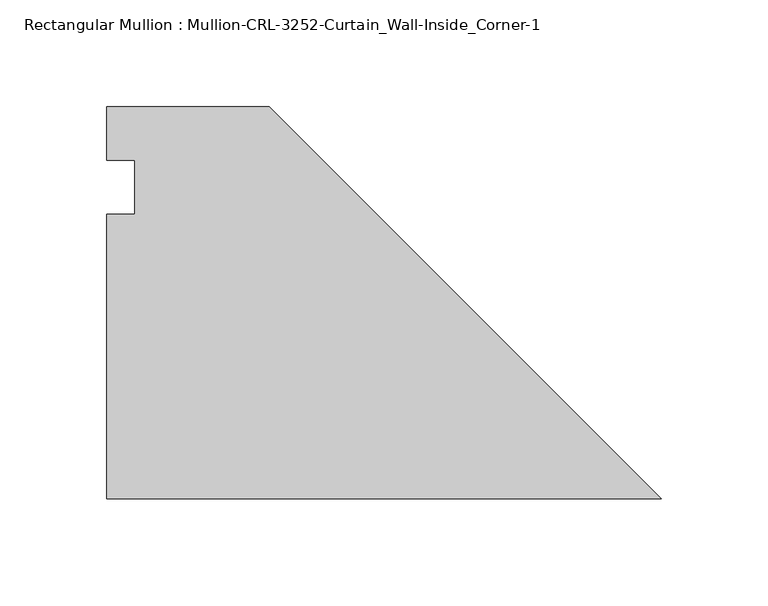
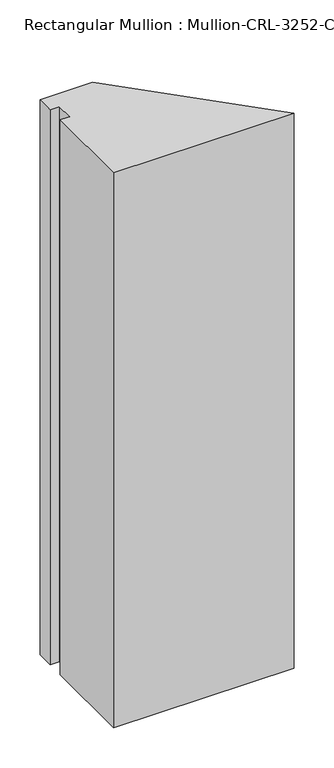
"""IFC4 building model written with IfcOpenShell, lengths in millimetres: member geometry, Rectangular Mullion : Mullion-CRL-3252-Curtain_Wall-Inside_Corner-1."""

from ifc_helpers import new_model, si_unit, frame, origin, place, context, project, spatial, polyline, outline, extrude, source, transform, mapped, element, save


def rectangular_mullion_mullion_crl_3252_curtain_wall_inside_59e1ff35(model_context):
    return source(origin(), model_context, "Body", "SweptSolid", [
        extrude(outline(polyline([(-183.8755352, 37.8701442), (0.0, -146.005391), (-260.0928023, -146.005391), (-260.0928023, -12.7), (-246.814215, -12.7), (-246.814215, 12.7), (-260.0928023, 12.7), (-260.0928023, 37.8701442), (-183.8755352, 37.8701442)])), frame((0.0, 0.0, -845.8398438), z_axis=(0.0, 0.0, 1.0), x_axis=(1.0, 0.0, 0.0)), (0.0, 0.0, 1.0), 845.8398438),
    ])


if __name__ == "__main__":
    model = new_model("IFC4")
    model_context = context("Model", 3, world=origin())
    ifc_project = project(units=[si_unit("LENGTHUNIT", "METRE", prefix="MILLI")], contexts=[model_context])
    site = spatial("IfcSite", under=ifc_project)
    building = spatial("IfcBuilding", under=site)
    placement = place(None, origin())
    rectangular_mullion_mullion_crl_3252_curtain_wall_inside_shape = rectangular_mullion_mullion_crl_3252_curtain_wall_inside_59e1ff35(model_context)
    element("IfcMember", 1, ObjectType="Rectangular Mullion : Mullion-CRL-3252-Curtain_Wall-Inside_Corner-1", at=placement, inside=building, context=model_context, shape_type="MappedRepresentation", body=[
        mapped(rectangular_mullion_mullion_crl_3252_curtain_wall_inside_shape, transform((0.0, 0.0, 0.0), x_axis=(1.0, 0.0, 0.0), y_axis=(0.0, 1.0, 0.0), z_axis=(0.0, 0.0, 1.0))),
    ])
    save(model, "model.ifc")
